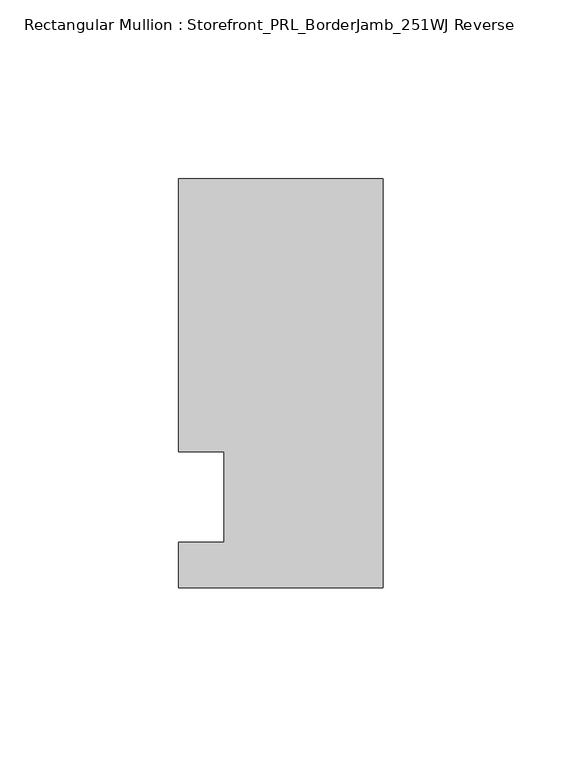
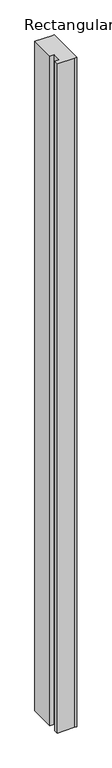
"""IFC4 building model written with IfcOpenShell, lengths in millimetres: member geometry, Rectangular Mullion : Storefront_PRL_BorderJamb_251WJ Reverse."""

from ifc_helpers import new_model, si_unit, frame, origin, place, context, project, spatial, polyline, outline, extrude, source, transform, mapped, element, save


def rectangular_mullion_storefront_prl_borderjamb_251wj_reverse_e4f5de46(model_context):
    return source(origin(), model_context, "Body", "SweptSolid", [
        extrude(outline(polyline([(-44.45, 12.7), (-57.15, 12.7), (-57.15, 88.9), (-6.35, 88.9), (0.0, 88.9), (0.0, -25.4), (-7.3958824, -25.4), (-57.15, -25.4), (-57.15, -12.7), (-44.45, -12.7), (-44.45, 12.7)])), frame((0.0, 0.0, -2072.48125), z_axis=(0.0, 0.0, 1.0), x_axis=(1.0, 0.0, 0.0)), (0.0, 0.0, 1.0), 2072.48125),
    ])


if __name__ == "__main__":
    model = new_model("IFC4")
    model_context = context("Model", 3, world=origin())
    ifc_project = project(units=[si_unit("LENGTHUNIT", "METRE", prefix="MILLI")], contexts=[model_context])
    site = spatial("IfcSite", under=ifc_project)
    building = spatial("IfcBuilding", under=site)
    placement = place(None, origin())
    rectangular_mullion_storefront_prl_borderjamb_251wj_reverse_shape = rectangular_mullion_storefront_prl_borderjamb_251wj_reverse_e4f5de46(model_context)
    element("IfcMember", 1, ObjectType="Rectangular Mullion : Storefront_PRL_BorderJamb_251WJ Reverse", at=placement, inside=building, context=model_context, shape_type="MappedRepresentation", body=[
        mapped(rectangular_mullion_storefront_prl_borderjamb_251wj_reverse_shape, transform((0.0, 0.0, 0.0), x_axis=(1.0, 0.0, 0.0), y_axis=(0.0, 1.0, 0.0), z_axis=(0.0, 0.0, 1.0))),
    ])
    save(model, "model.ifc")
